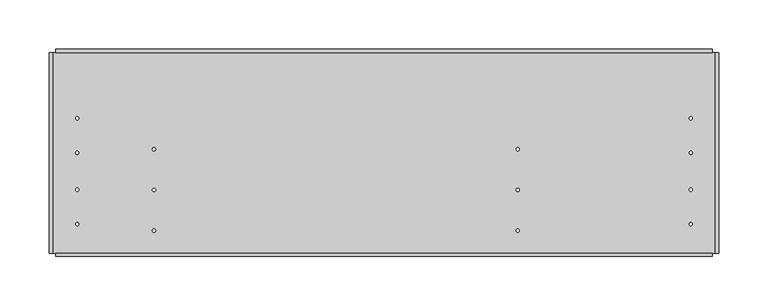
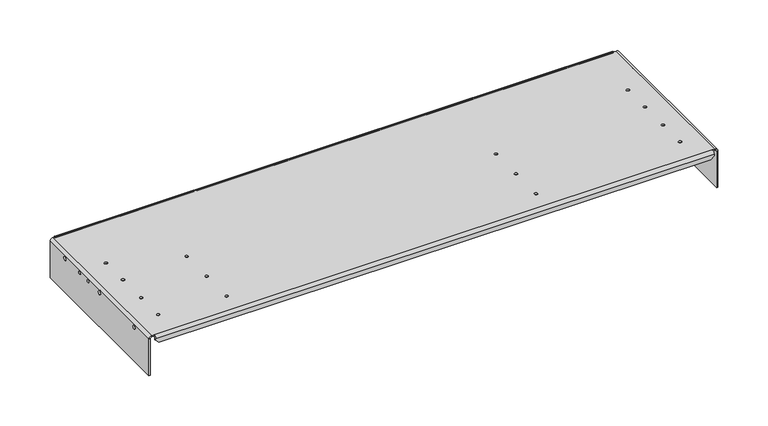
"""IFC4 building model written with IfcOpenShell, lengths in millimetres: proxy geometry."""

from ifc_helpers import new_model, si_unit, frame, origin, place, context, project, spatial, polyline, circle_curve, source, transform, mapped, element, save
from ifc_brep_helpers import plane_surface, cylinder_surface, revolved_surface, advanced_brep


def generic_models_4c38cd29(model_context):
    return source(origin(), model_context, "Body", "AdvancedBrep", [
        advanced_brep(
        [(-668.0263452, -94.3278036, -7.2517), (-666.4134452, -94.3278036, -7.2517), (-666.4134452, -94.3278036, -2.9083), (-668.0263452, -94.3278036, -2.9083), (6.7983148, -94.3278036, -7.2517), (8.4112148, -94.3278036, -7.2517), (8.4112148, -94.3278036, -2.9083), (6.7983148, -94.3278036, -2.9083), (-668.0263452, -23.2078036, -7.2517), (-666.4134452, -23.2078036, -7.2517), (-666.4134452, -23.2078036, -2.9083), (-668.0263452, -23.2078036, -2.9083), (6.7983148, -23.2078036, -7.2517), (8.4112148, -23.2078036, -7.2517), (8.4112148, -23.2078036, -2.9083), (6.7983148, -23.2078036, -2.9083), (-668.0263452, -165.4478036, -7.2517), (-666.4134452, -165.4478036, -7.2517), (-666.4134452, -165.4478036, -2.9083), (-668.0263452, -165.4478036, -2.9083), (6.7983148, -165.4478036, -7.2517), (8.4112148, -165.4478036, -7.2517), (8.4112148, -165.4478036, -2.9083), (6.7983148, -165.4478036, -2.9083), (-17.9590652, -59.340076, 0.0), (-17.9590652, -59.340076, 1.6129), (-21.2102652, -59.340076, 1.6129), (-21.2102652, -59.340076, 0.0), (-17.9590652, -131.571326, 0.0), (-17.9590652, -131.571326, 1.6129), (-21.2102652, -131.571326, 1.6129), (-21.2102652, -131.571326, 0.0), (-638.4048652, -166.496326, 0.0), (-638.4048652, -166.496326, 1.6129), (-641.6560652, -166.496326, 1.6129), (-641.6560652, -166.496326, 0.0), (-638.4048652, -94.265076, 0.0), (-638.4048652, -94.265076, 1.6129), (-641.6560652, -94.265076, 1.6129), (-641.6560652, -94.265076, 0.0), (-638.4048652, -59.340076, 0.0), (-638.4048652, -59.340076, 1.6129), (-641.6560652, -59.340076, 1.6129), (-641.6560652, -59.340076, 0.0), (-638.4048652, -131.571326, 0.0), (-638.4048652, -131.571326, 1.6129), (-641.6560652, -131.571326, 1.6129), (-641.6560652, -131.571326, 0.0), (-17.9590652, -166.496326, 0.0), (-17.9590652, -166.496326, 1.6129), (-21.2102652, -166.496326, 1.6129), (-21.2102652, -166.496326, 0.0), (-17.9590652, -94.265076, 0.0), (-17.9590652, -94.265076, 1.6129), (-21.2102652, -94.265076, 1.6129), (-21.2102652, -94.265076, 0.0), (-666.4134452, -70.7718436, -3.07086), (-668.0263452, -70.7718436, -3.07086), (-668.0263452, -70.7718436, -6.32206), (-666.4134452, -70.7718436, -6.32206), (8.4112148, -70.7718436, -3.07086), (6.7983148, -70.7718436, -3.07086), (6.7983148, -70.7718436, -6.32206), (8.4112148, -70.7718436, -6.32206), (-666.4134452, -52.9918436, -3.07086), (-668.0263452, -52.9918436, -3.07086), (-668.0263452, -52.9918436, -6.32206), (-666.4134452, -52.9918436, -6.32206), (8.4112148, -52.9918436, -3.07086), (6.7983148, -52.9918436, -3.07086), (6.7983148, -52.9918436, -6.32206), (8.4112148, -52.9918436, -6.32206), (-560.7189652, -90.6727436, 0.0), (-560.7189652, -90.6727436, 1.6129), (-563.9701652, -90.6727436, 1.6129), (-563.9701652, -90.6727436, 0.0), (-560.7189652, -173.0195436, 0.0), (-560.7189652, -173.0195436, 1.6129), (-563.9701652, -173.0195436, 1.6129), (-563.9701652, -173.0195436, 0.0), (-193.0031652, -131.8461436, 0.0), (-193.0031652, -131.8461436, 1.6129), (-196.2543652, -131.8461436, 1.6129), (-196.2543652, -131.8461436, 0.0), (-193.0031652, -90.6727436, 0.0), (-193.0031652, -90.6727436, 1.6129), (-196.2543652, -90.6727436, 1.6129), (-196.2543652, -90.6727436, 0.0), (-193.0031652, -173.0195436, 0.0), (-193.0031652, -173.0195436, 1.6129), (-196.2543652, -173.0195436, 1.6129), (-196.2543652, -173.0195436, 0.0), (-560.7189652, -131.8461436, 0.0), (-560.7189652, -131.8461436, 1.6129), (-563.9701652, -131.8461436, 1.6129), (-563.9701652, -131.8461436, 0.0), (2.0104148, -199.1536036, -3.4671), (-1.7995852, -199.1536036, -7.2771), (-1.7995852, -197.5407036, -7.2771), (2.0104148, -197.5407036, -3.4671), (-657.8155452, -199.1536036, -7.2771), (-657.8155452, -197.5407036, -7.2771), (2.0104148, -199.1536036, -1.6129), (-661.6255452, -199.1536036, -1.6129), (-661.6255452, -199.1536036, -3.4671), (-661.6255452, -197.5407036, -3.4671), (-661.6255452, -197.5407036, -1.6129), (2.0104148, -197.5407036, -1.6129), (-661.6255452, -195.9278036, 1.6129), (-661.6255452, -195.9278036, 0.0), (-661.6255452, 10.4979964, -3.4671), (-657.8155452, 10.4979964, -7.2771), (-657.8155452, 8.8850964, -7.2771), (-661.6255452, 8.8850964, -3.4671), (-1.7995852, 8.8850964, -7.2771), (2.0104148, 8.8850964, -3.4671), (2.0104148, 8.8850964, -1.6129), (-661.6255452, 8.8850964, -1.6129), (-1.7995852, 10.4979964, -7.2771), (2.0104148, 10.4979964, -3.4671), (-664.8005452, -195.9278036, 1.6129), (-664.8005452, -195.9278036, 0.0), (-664.8005452, 7.2721964, 0.0), (-664.8005452, 7.2721964, 1.6129), (-661.6255452, 7.2721964, 1.6129), (-661.6255452, 7.2721964, 0.0), (-661.6255452, 10.4979964, -1.6129), (2.0104148, 7.2721964, 0.0), (5.1854148, -195.9278036, 0.0), (5.1854148, -195.9278036, 1.6129), (2.0104148, -195.9278036, 1.6129), (2.0104148, -195.9278036, 0.0), (5.1854148, 7.2721964, 1.6129), (5.1854148, 7.2721964, 0.0), (2.0104148, 7.2721964, 1.6129), (2.0104148, 10.4979964, -1.6129), (-666.4134452, -195.9278036, -1.6129), (-666.4134452, 7.2721964, -1.6129), (-668.0263452, -195.9278036, -1.6129), (-668.0263452, -195.9278036, -47.3202), (-666.4134452, -195.9278036, -47.3202), (-668.0263452, 7.2721964, -1.6129), (-668.0263452, 7.2721964, -47.3202), (-666.4134452, 7.2721964, -47.3202), (6.7983148, 7.2721964, -1.6129), (6.7983148, -195.9278036, -1.6129), (8.4112148, 7.2721964, -1.6129), (8.4112148, 7.2721964, -47.3202), (6.7983148, 7.2721964, -47.3202), (8.4112148, -195.9278036, -1.6129), (8.4112148, -195.9278036, -47.3202), (6.7983148, -195.9278036, -47.3202)],
        [
            (0, 1),
            (1, 2, circle_curve(frame((-666.4134452, -94.3278036, -5.08), z_axis=(1.0, 0.0, 0.0), x_axis=(0.0, 0.0, -1.0)), 2.1717)),
            (2, 3),
            (3, 0, circle_curve(frame((-668.0263452, -94.3278036, -5.08), z_axis=(-1.0, 0.0, 0.0), x_axis=(0.0, 0.0, -1.0)), 2.1717)),
            (4, 5),
            (5, 6, circle_curve(frame((8.4112148, -94.3278036, -5.08), z_axis=(1.0, 0.0, 0.0), x_axis=(0.0, 0.0, -1.0)), 2.1717)),
            (6, 7),
            (7, 4, circle_curve(frame((6.7983148, -94.3278036, -5.08), z_axis=(-1.0, 0.0, 0.0), x_axis=(0.0, 0.0, -1.0)), 2.1717)),
            (8, 9),
            (9, 10, circle_curve(frame((-666.4134452, -23.2078036, -5.08), z_axis=(1.0, 0.0, 0.0), x_axis=(0.0, 0.0, -1.0)), 2.1717)),
            (10, 11),
            (11, 8, circle_curve(frame((-668.0263452, -23.2078036, -5.08), z_axis=(-1.0, 0.0, 0.0), x_axis=(0.0, 0.0, -1.0)), 2.1717)),
            (12, 13),
            (13, 14, circle_curve(frame((8.4112148, -23.2078036, -5.08), z_axis=(1.0, 0.0, 0.0), x_axis=(0.0, 0.0, -1.0)), 2.1717)),
            (14, 15),
            (15, 12, circle_curve(frame((6.7983148, -23.2078036, -5.08), z_axis=(-1.0, 0.0, 0.0), x_axis=(0.0, 0.0, -1.0)), 2.1717)),
            (16, 17),
            (17, 18, circle_curve(frame((-666.4134452, -165.4478036, -5.08), z_axis=(1.0, 0.0, 0.0), x_axis=(0.0, 0.0, -1.0)), 2.1717)),
            (18, 19),
            (19, 16, circle_curve(frame((-668.0263452, -165.4478036, -5.08), z_axis=(-1.0, 0.0, 0.0), x_axis=(0.0, 0.0, -1.0)), 2.1717)),
            (20, 21),
            (21, 22, circle_curve(frame((8.4112148, -165.4478036, -5.08), z_axis=(1.0, 0.0, 0.0), x_axis=(0.0, 0.0, -1.0)), 2.1717)),
            (22, 23),
            (23, 20, circle_curve(frame((6.7983148, -165.4478036, -5.08), z_axis=(-1.0, 0.0, 0.0), x_axis=(0.0, 0.0, -1.0)), 2.1717)),
            (24, 25),
            (25, 26, circle_curve(frame((-19.5846652, -59.340076, 1.6129), z_axis=(0.0, 0.0, 1.0), x_axis=(1.0, 0.0, 0.0)), 1.6256)),
            (26, 27),
            (27, 24, circle_curve(frame((-19.5846652, -59.340076, 0.0), z_axis=(0.0, 0.0, -1.0), x_axis=(1.0, 0.0, 0.0)), 1.6256)),
            (28, 29),
            (29, 30, circle_curve(frame((-19.5846652, -131.571326, 1.6129), z_axis=(0.0, 0.0, 1.0), x_axis=(1.0, 0.0, 0.0)), 1.6256)),
            (30, 31),
            (31, 28, circle_curve(frame((-19.5846652, -131.571326, 0.0), z_axis=(0.0, 0.0, -1.0), x_axis=(1.0, 0.0, 0.0)), 1.6256)),
            (32, 33),
            (33, 34, circle_curve(frame((-640.0304652, -166.496326, 1.6129), z_axis=(0.0, 0.0, 1.0), x_axis=(1.0, 0.0, 0.0)), 1.6256)),
            (34, 35),
            (35, 32, circle_curve(frame((-640.0304652, -166.496326, 0.0), z_axis=(0.0, 0.0, -1.0), x_axis=(1.0, 0.0, 0.0)), 1.6256)),
            (36, 37),
            (37, 38, circle_curve(frame((-640.0304652, -94.265076, 1.6129), z_axis=(0.0, 0.0, 1.0), x_axis=(1.0, 0.0, 0.0)), 1.6256)),
            (38, 39),
            (39, 36, circle_curve(frame((-640.0304652, -94.265076, 0.0), z_axis=(0.0, 0.0, -1.0), x_axis=(1.0, 0.0, 0.0)), 1.6256)),
            (40, 41),
            (41, 42, circle_curve(frame((-640.0304652, -59.340076, 1.6129), z_axis=(0.0, 0.0, 1.0), x_axis=(1.0, 0.0, 0.0)), 1.6256)),
            (42, 43),
            (43, 40, circle_curve(frame((-640.0304652, -59.340076, 0.0), z_axis=(0.0, 0.0, -1.0), x_axis=(1.0, 0.0, 0.0)), 1.6256)),
            (44, 45),
            (45, 46, circle_curve(frame((-640.0304652, -131.571326, 1.6129), z_axis=(0.0, 0.0, 1.0), x_axis=(1.0, 0.0, 0.0)), 1.6256)),
            (46, 47),
            (47, 44, circle_curve(frame((-640.0304652, -131.571326, 0.0), z_axis=(0.0, 0.0, -1.0), x_axis=(1.0, 0.0, 0.0)), 1.6256)),
            (48, 49),
            (49, 50, circle_curve(frame((-19.5846652, -166.496326, 1.6129), z_axis=(0.0, 0.0, 1.0), x_axis=(1.0, 0.0, 0.0)), 1.6256)),
            (50, 51),
            (51, 48, circle_curve(frame((-19.5846652, -166.496326, 0.0), z_axis=(0.0, 0.0, -1.0), x_axis=(1.0, 0.0, 0.0)), 1.6256)),
            (52, 53),
            (53, 54, circle_curve(frame((-19.5846652, -94.265076, 1.6129), z_axis=(0.0, 0.0, 1.0), x_axis=(1.0, 0.0, 0.0)), 1.6256)),
            (54, 55),
            (55, 52, circle_curve(frame((-19.5846652, -94.265076, 0.0), z_axis=(0.0, 0.0, -1.0), x_axis=(1.0, 0.0, 0.0)), 1.6256)),
            (56, 57),
            (57, 58, circle_curve(frame((-668.0263452, -70.7718436, -4.69646), z_axis=(-1.0, 0.0, 0.0), x_axis=(0.0, 0.0, 1.0)), 1.6256)),
            (58, 59),
            (59, 56, circle_curve(frame((-666.4134452, -70.7718436, -4.69646), z_axis=(1.0, 0.0, 0.0), x_axis=(0.0, 0.0, 1.0)), 1.6256)),
            (60, 61),
            (61, 62, circle_curve(frame((6.7983148, -70.7718436, -4.69646), z_axis=(-1.0, 0.0, 0.0), x_axis=(0.0, 0.0, 1.0)), 1.6256)),
            (62, 63),
            (63, 60, circle_curve(frame((8.4112148, -70.7718436, -4.69646), z_axis=(1.0, 0.0, 0.0), x_axis=(0.0, 0.0, 1.0)), 1.6256)),
            (64, 65),
            (65, 66, circle_curve(frame((-668.0263452, -52.9918436, -4.69646), z_axis=(-1.0, 0.0, 0.0), x_axis=(0.0, 0.0, 1.0)), 1.6256)),
            (66, 67),
            (67, 64, circle_curve(frame((-666.4134452, -52.9918436, -4.69646), z_axis=(1.0, 0.0, 0.0), x_axis=(0.0, 0.0, 1.0)), 1.6256)),
            (68, 69),
            (69, 70, circle_curve(frame((6.7983148, -52.9918436, -4.69646), z_axis=(-1.0, 0.0, 0.0), x_axis=(0.0, 0.0, 1.0)), 1.6256)),
            (70, 71),
            (71, 68, circle_curve(frame((8.4112148, -52.9918436, -4.69646), z_axis=(1.0, 0.0, 0.0), x_axis=(0.0, 0.0, 1.0)), 1.6256)),
            (72, 73),
            (73, 74, circle_curve(frame((-562.3445652, -90.6727436, 1.6129), z_axis=(0.0, 0.0, 1.0), x_axis=(1.0, 0.0, 0.0)), 1.6256)),
            (74, 75),
            (75, 72, circle_curve(frame((-562.3445652, -90.6727436, 0.0), z_axis=(0.0, 0.0, -1.0), x_axis=(1.0, 0.0, 0.0)), 1.6256)),
            (76, 77),
            (77, 78, circle_curve(frame((-562.3445652, -173.0195436, 1.6129), z_axis=(0.0, 0.0, 1.0), x_axis=(1.0, 0.0, 0.0)), 1.6256)),
            (78, 79),
            (79, 76, circle_curve(frame((-562.3445652, -173.0195436, 0.0), z_axis=(0.0, 0.0, -1.0), x_axis=(1.0, 0.0, 0.0)), 1.6256)),
            (80, 81),
            (81, 82, circle_curve(frame((-194.6287652, -131.8461436, 1.6129), z_axis=(0.0, 0.0, 1.0), x_axis=(1.0, 0.0, 0.0)), 1.6256)),
            (82, 83),
            (83, 80, circle_curve(frame((-194.6287652, -131.8461436, 0.0), z_axis=(0.0, 0.0, -1.0), x_axis=(1.0, 0.0, 0.0)), 1.6256)),
            (84, 85),
            (85, 86, circle_curve(frame((-194.6287652, -90.6727436, 1.6129), z_axis=(0.0, 0.0, 1.0), x_axis=(1.0, 0.0, 0.0)), 1.6256)),
            (86, 87),
            (87, 84, circle_curve(frame((-194.6287652, -90.6727436, 0.0), z_axis=(0.0, 0.0, -1.0), x_axis=(1.0, 0.0, 0.0)), 1.6256)),
            (88, 89),
            (89, 90, circle_curve(frame((-194.6287652, -173.0195436, 1.6129), z_axis=(0.0, 0.0, 1.0), x_axis=(1.0, 0.0, 0.0)), 1.6256)),
            (90, 91),
            (91, 88, circle_curve(frame((-194.6287652, -173.0195436, 0.0), z_axis=(0.0, 0.0, -1.0), x_axis=(1.0, 0.0, 0.0)), 1.6256)),
            (92, 93),
            (93, 94, circle_curve(frame((-562.3445652, -131.8461436, 1.6129), z_axis=(0.0, 0.0, 1.0), x_axis=(1.0, 0.0, 0.0)), 1.6256)),
            (94, 95),
            (95, 92, circle_curve(frame((-562.3445652, -131.8461436, 0.0), z_axis=(0.0, 0.0, -1.0), x_axis=(1.0, 0.0, 0.0)), 1.6256)),
            (92, 95, circle_curve(frame((-562.3445652, -131.8461436, 0.0), z_axis=(0.0, 0.0, -1.0), x_axis=(1.0, 0.0, 0.0)), 1.6256)),
            (94, 93, circle_curve(frame((-562.3445652, -131.8461436, 1.6129), z_axis=(0.0, 0.0, 1.0), x_axis=(1.0, 0.0, 0.0)), 1.6256)),
            (88, 91, circle_curve(frame((-194.6287652, -173.0195436, 0.0), z_axis=(0.0, 0.0, -1.0), x_axis=(1.0, 0.0, 0.0)), 1.6256)),
            (90, 89, circle_curve(frame((-194.6287652, -173.0195436, 1.6129), z_axis=(0.0, 0.0, 1.0), x_axis=(1.0, 0.0, 0.0)), 1.6256)),
            (84, 87, circle_curve(frame((-194.6287652, -90.6727436, 0.0), z_axis=(0.0, 0.0, -1.0), x_axis=(1.0, 0.0, 0.0)), 1.6256)),
            (86, 85, circle_curve(frame((-194.6287652, -90.6727436, 1.6129), z_axis=(0.0, 0.0, 1.0), x_axis=(1.0, 0.0, 0.0)), 1.6256)),
            (80, 83, circle_curve(frame((-194.6287652, -131.8461436, 0.0), z_axis=(0.0, 0.0, -1.0), x_axis=(1.0, 0.0, 0.0)), 1.6256)),
            (82, 81, circle_curve(frame((-194.6287652, -131.8461436, 1.6129), z_axis=(0.0, 0.0, 1.0), x_axis=(1.0, 0.0, 0.0)), 1.6256)),
            (76, 79, circle_curve(frame((-562.3445652, -173.0195436, 0.0), z_axis=(0.0, 0.0, -1.0), x_axis=(1.0, 0.0, 0.0)), 1.6256)),
            (78, 77, circle_curve(frame((-562.3445652, -173.0195436, 1.6129), z_axis=(0.0, 0.0, 1.0), x_axis=(1.0, 0.0, 0.0)), 1.6256)),
            (72, 75, circle_curve(frame((-562.3445652, -90.6727436, 0.0), z_axis=(0.0, 0.0, -1.0), x_axis=(1.0, 0.0, 0.0)), 1.6256)),
            (74, 73, circle_curve(frame((-562.3445652, -90.6727436, 1.6129), z_axis=(0.0, 0.0, 1.0), x_axis=(1.0, 0.0, 0.0)), 1.6256)),
            (68, 71, circle_curve(frame((8.4112148, -52.9918436, -4.69646), z_axis=(1.0, 0.0, 0.0), x_axis=(0.0, 0.0, 1.0)), 1.6256)),
            (70, 69, circle_curve(frame((6.7983148, -52.9918436, -4.69646), z_axis=(-1.0, 0.0, 0.0), x_axis=(0.0, 0.0, 1.0)), 1.6256)),
            (64, 67, circle_curve(frame((-666.4134452, -52.9918436, -4.69646), z_axis=(1.0, 0.0, 0.0), x_axis=(0.0, 0.0, 1.0)), 1.6256)),
            (66, 65, circle_curve(frame((-668.0263452, -52.9918436, -4.69646), z_axis=(-1.0, 0.0, 0.0), x_axis=(0.0, 0.0, 1.0)), 1.6256)),
            (60, 63, circle_curve(frame((8.4112148, -70.7718436, -4.69646), z_axis=(1.0, 0.0, 0.0), x_axis=(0.0, 0.0, 1.0)), 1.6256)),
            (62, 61, circle_curve(frame((6.7983148, -70.7718436, -4.69646), z_axis=(-1.0, 0.0, 0.0), x_axis=(0.0, 0.0, 1.0)), 1.6256)),
            (56, 59, circle_curve(frame((-666.4134452, -70.7718436, -4.69646), z_axis=(1.0, 0.0, 0.0), x_axis=(0.0, 0.0, 1.0)), 1.6256)),
            (58, 57, circle_curve(frame((-668.0263452, -70.7718436, -4.69646), z_axis=(-1.0, 0.0, 0.0), x_axis=(0.0, 0.0, 1.0)), 1.6256)),
            (96, 97),
            (97, 98),
            (98, 99),
            (99, 96),
            (97, 100),
            (100, 101),
            (101, 98),
            (96, 102),
            (102, 103),
            (103, 104),
            (104, 100),
            (105, 101),
            (104, 105),
            (105, 106),
            (106, 107),
            (107, 99),
            (103, 108, circle_curve(frame((-661.6255452, -195.9278036, -1.6129), z_axis=(-1.0, 0.0, 0.0), x_axis=(0.0, 0.0, 1.0)), 3.2258)),
            (108, 109),
            (109, 106, circle_curve(frame((-661.6255452, -195.9278036, -1.6129), z_axis=(1.0, 0.0, 0.0), x_axis=(0.0, 0.0, 1.0)), 1.6129)),
            (110, 111),
            (111, 112),
            (112, 113),
            (113, 110),
            (112, 114),
            (114, 115),
            (115, 116),
            (116, 117),
            (117, 113),
            (111, 118),
            (118, 114),
            (118, 119),
            (119, 115),
            (52, 55, circle_curve(frame((-19.5846652, -94.265076, 0.0), z_axis=(0.0, 0.0, -1.0), x_axis=(1.0, 0.0, 0.0)), 1.6256)),
            (54, 53, circle_curve(frame((-19.5846652, -94.265076, 1.6129), z_axis=(0.0, 0.0, 1.0), x_axis=(1.0, 0.0, 0.0)), 1.6256)),
            (48, 51, circle_curve(frame((-19.5846652, -166.496326, 0.0), z_axis=(0.0, 0.0, -1.0), x_axis=(1.0, 0.0, 0.0)), 1.6256)),
            (50, 49, circle_curve(frame((-19.5846652, -166.496326, 1.6129), z_axis=(0.0, 0.0, 1.0), x_axis=(1.0, 0.0, 0.0)), 1.6256)),
            (44, 47, circle_curve(frame((-640.0304652, -131.571326, 0.0), z_axis=(0.0, 0.0, -1.0), x_axis=(1.0, 0.0, 0.0)), 1.6256)),
            (46, 45, circle_curve(frame((-640.0304652, -131.571326, 1.6129), z_axis=(0.0, 0.0, 1.0), x_axis=(1.0, 0.0, 0.0)), 1.6256)),
            (40, 43, circle_curve(frame((-640.0304652, -59.340076, 0.0), z_axis=(0.0, 0.0, -1.0), x_axis=(1.0, 0.0, 0.0)), 1.6256)),
            (42, 41, circle_curve(frame((-640.0304652, -59.340076, 1.6129), z_axis=(0.0, 0.0, 1.0), x_axis=(1.0, 0.0, 0.0)), 1.6256)),
            (36, 39, circle_curve(frame((-640.0304652, -94.265076, 0.0), z_axis=(0.0, 0.0, -1.0), x_axis=(1.0, 0.0, 0.0)), 1.6256)),
            (38, 37, circle_curve(frame((-640.0304652, -94.265076, 1.6129), z_axis=(0.0, 0.0, 1.0), x_axis=(1.0, 0.0, 0.0)), 1.6256)),
            (32, 35, circle_curve(frame((-640.0304652, -166.496326, 0.0), z_axis=(0.0, 0.0, -1.0), x_axis=(1.0, 0.0, 0.0)), 1.6256)),
            (34, 33, circle_curve(frame((-640.0304652, -166.496326, 1.6129), z_axis=(0.0, 0.0, 1.0), x_axis=(1.0, 0.0, 0.0)), 1.6256)),
            (28, 31, circle_curve(frame((-19.5846652, -131.571326, 0.0), z_axis=(0.0, 0.0, -1.0), x_axis=(1.0, 0.0, 0.0)), 1.6256)),
            (30, 29, circle_curve(frame((-19.5846652, -131.571326, 1.6129), z_axis=(0.0, 0.0, 1.0), x_axis=(1.0, 0.0, 0.0)), 1.6256)),
            (24, 27, circle_curve(frame((-19.5846652, -59.340076, 0.0), z_axis=(0.0, 0.0, -1.0), x_axis=(1.0, 0.0, 0.0)), 1.6256)),
            (26, 25, circle_curve(frame((-19.5846652, -59.340076, 1.6129), z_axis=(0.0, 0.0, 1.0), x_axis=(1.0, 0.0, 0.0)), 1.6256)),
            (120, 121),
            (121, 109),
            (108, 120),
            (122, 123),
            (123, 124),
            (124, 125),
            (125, 122),
            (117, 125, circle_curve(frame((-661.6255452, 7.2721964, -1.6129), z_axis=(1.0, 0.0, 0.0), x_axis=(0.0, 0.0, 1.0)), 1.6129)),
            (124, 126, circle_curve(frame((-661.6255452, 7.2721964, -1.6129), z_axis=(-1.0, 0.0, 0.0), x_axis=(0.0, 0.0, 1.0)), 3.2258)),
            (126, 110),
            (116, 127, circle_curve(frame((2.0104148, 7.2721964, -1.6129), z_axis=(1.0, 0.0, 0.0), x_axis=(0.0, 0.0, 1.0)), 1.6129)),
            (127, 125),
            (128, 129),
            (129, 130),
            (130, 131),
            (131, 128),
            (107, 131, circle_curve(frame((2.0104148, -195.9278036, -1.6129), z_axis=(-1.0, 0.0, 0.0), x_axis=(0.0, 0.0, 1.0)), 1.6129)),
            (130, 102, circle_curve(frame((2.0104148, -195.9278036, -1.6129), z_axis=(1.0, 0.0, 0.0), x_axis=(0.0, 0.0, 1.0)), 3.2258)),
            (132, 133),
            (133, 127),
            (127, 134),
            (134, 132),
            (119, 135),
            (135, 134, circle_curve(frame((2.0104148, 7.2721964, -1.6129), z_axis=(1.0, 0.0, 0.0), x_axis=(0.0, 0.0, 1.0)), 3.2258)),
            (109, 131),
            (126, 135),
            (20, 23, circle_curve(frame((6.7983148, -165.4478036, -5.08), z_axis=(-1.0, 0.0, 0.0), x_axis=(0.0, 0.0, -1.0)), 2.1717)),
            (22, 21, circle_curve(frame((8.4112148, -165.4478036, -5.08), z_axis=(1.0, 0.0, 0.0), x_axis=(0.0, 0.0, -1.0)), 2.1717)),
            (16, 19, circle_curve(frame((-668.0263452, -165.4478036, -5.08), z_axis=(-1.0, 0.0, 0.0), x_axis=(0.0, 0.0, -1.0)), 2.1717)),
            (18, 17, circle_curve(frame((-666.4134452, -165.4478036, -5.08), z_axis=(1.0, 0.0, 0.0), x_axis=(0.0, 0.0, -1.0)), 2.1717)),
            (12, 15, circle_curve(frame((6.7983148, -23.2078036, -5.08), z_axis=(-1.0, 0.0, 0.0), x_axis=(0.0, 0.0, -1.0)), 2.1717)),
            (14, 13, circle_curve(frame((8.4112148, -23.2078036, -5.08), z_axis=(1.0, 0.0, 0.0), x_axis=(0.0, 0.0, -1.0)), 2.1717)),
            (8, 11, circle_curve(frame((-668.0263452, -23.2078036, -5.08), z_axis=(-1.0, 0.0, 0.0), x_axis=(0.0, 0.0, -1.0)), 2.1717)),
            (10, 9, circle_curve(frame((-666.4134452, -23.2078036, -5.08), z_axis=(1.0, 0.0, 0.0), x_axis=(0.0, 0.0, -1.0)), 2.1717)),
            (4, 7, circle_curve(frame((6.7983148, -94.3278036, -5.08), z_axis=(-1.0, 0.0, 0.0), x_axis=(0.0, 0.0, -1.0)), 2.1717)),
            (6, 5, circle_curve(frame((8.4112148, -94.3278036, -5.08), z_axis=(1.0, 0.0, 0.0), x_axis=(0.0, 0.0, -1.0)), 2.1717)),
            (0, 3, circle_curve(frame((-668.0263452, -94.3278036, -5.08), z_axis=(-1.0, 0.0, 0.0), x_axis=(0.0, 0.0, -1.0)), 2.1717)),
            (2, 1, circle_curve(frame((-666.4134452, -94.3278036, -5.08), z_axis=(1.0, 0.0, 0.0), x_axis=(0.0, 0.0, -1.0)), 2.1717)),
            (124, 134),
            (130, 108),
            (136, 137),
            (137, 122, circle_curve(frame((-664.8005452, 7.2721964, -1.6129), z_axis=(0.0, 1.0, 0.0), x_axis=(0.0, 0.0, 1.0)), 1.6129)),
            (122, 121),
            (121, 136, circle_curve(frame((-664.8005452, -195.9278036, -1.6129), z_axis=(0.0, -1.0, 0.0), x_axis=(0.0, 0.0, 1.0)), 1.6129)),
            (136, 138),
            (138, 139),
            (139, 140),
            (140, 136),
            (138, 141),
            (141, 142),
            (142, 139),
            (137, 141),
            (141, 123, circle_curve(frame((-664.8005452, 7.2721964, -1.6129), z_axis=(0.0, 1.0, 0.0), x_axis=(0.0, 0.0, 1.0)), 3.2258)),
            (120, 138, circle_curve(frame((-664.8005452, -195.9278036, -1.6129), z_axis=(0.0, -1.0, 0.0), x_axis=(0.0, 0.0, 1.0)), 3.2258)),
            (137, 143),
            (143, 142),
            (143, 140),
            (120, 123),
            (144, 145),
            (145, 128, circle_curve(frame((5.1854148, -195.9278036, -1.6129), z_axis=(0.0, -1.0, 0.0), x_axis=(0.0, 0.0, 1.0)), 1.6129)),
            (128, 133),
            (133, 144, circle_curve(frame((5.1854148, 7.2721964, -1.6129), z_axis=(0.0, 1.0, 0.0), x_axis=(0.0, 0.0, 1.0)), 1.6129)),
            (144, 146),
            (146, 147),
            (147, 148),
            (148, 144),
            (146, 149),
            (149, 150),
            (150, 147),
            (145, 149),
            (149, 129, circle_curve(frame((5.1854148, -195.9278036, -1.6129), z_axis=(0.0, -1.0, 0.0), x_axis=(0.0, 0.0, 1.0)), 3.2258)),
            (132, 146, circle_curve(frame((5.1854148, 7.2721964, -1.6129), z_axis=(0.0, 1.0, 0.0), x_axis=(0.0, 0.0, 1.0)), 3.2258)),
            (145, 151),
            (151, 150),
            (151, 148),
            (132, 129),
        ],
        [
            revolved_surface(polyline([(-666.4134452, -94.3278036, -7.2517), (-668.0263452, -94.3278036, -7.2517)]), (-701.3506955, -94.3278036, -5.08), (1.0, 0.0, 0.0)),
            revolved_surface(polyline([(8.411214800000039, -94.3278036, -7.2517), (6.798314799999957, -94.3278036, -7.2517)]), (-701.3506955, -94.3278036, -5.08), (1.0, 0.0, 0.0)),
            revolved_surface(polyline([(-666.4134452, -23.2078036, -7.2517), (-668.0263452, -23.2078036, -7.2517)]), (-701.3506955, -23.2078036, -5.08), (1.0, 0.0, 0.0)),
            revolved_surface(polyline([(8.411214800000039, -23.2078036, -7.2517), (6.798314799999957, -23.2078036, -7.2517)]), (-701.3506955, -23.2078036, -5.08), (1.0, 0.0, 0.0)),
            revolved_surface(polyline([(-666.4134452, -165.4478036, -7.2517), (-668.0263452, -165.4478036, -7.2517)]), (-701.3506955, -165.4478036, -5.08), (1.0, 0.0, 0.0)),
            revolved_surface(polyline([(8.411214800000039, -165.4478036, -7.2517), (6.798314799999957, -165.4478036, -7.2517)]), (-701.3506955, -165.4478036, -5.08), (1.0, 0.0, 0.0)),
            revolved_surface(polyline([(-17.9590652, -59.340076, 1.6129), (-17.9590652, -59.340076, 0.0)]), (-19.5846652, -59.340076, 0.80645), (0.0, 0.0, 1.0)),
            revolved_surface(polyline([(-17.9590652, -131.571326, 1.6129), (-17.9590652, -131.571326, 0.0)]), (-19.5846652, -131.571326, 0.80645), (0.0, 0.0, 1.0)),
            revolved_surface(polyline([(-638.4048652, -166.496326, 1.6129), (-638.4048652, -166.496326, 0.0)]), (-640.0304652, -166.496326, 0.80645), (0.0, 0.0, 1.0)),
            revolved_surface(polyline([(-638.4048652, -94.265076, 1.6129), (-638.4048652, -94.265076, 0.0)]), (-640.0304652, -94.265076, 0.80645), (0.0, 0.0, 1.0)),
            revolved_surface(polyline([(-638.4048652, -59.340076, 1.6129), (-638.4048652, -59.340076, 0.0)]), (-640.0304652, -59.340076, 0.80645), (0.0, 0.0, 1.0)),
            revolved_surface(polyline([(-638.4048652, -131.571326, 1.6129), (-638.4048652, -131.571326, 0.0)]), (-640.0304652, -131.571326, 0.80645), (0.0, 0.0, 1.0)),
            revolved_surface(polyline([(-17.9590652, -166.496326, 1.6129), (-17.9590652, -166.496326, 0.0)]), (-19.5846652, -166.496326, 0.80645), (0.0, 0.0, 1.0)),
            revolved_surface(polyline([(-17.9590652, -94.265076, 1.6129), (-17.9590652, -94.265076, 0.0)]), (-19.5846652, -94.265076, 0.80645), (0.0, 0.0, 1.0)),
            revolved_surface(polyline([(-668.0263452, -70.7718436, -3.07086), (-666.4134452, -70.7718436, -3.07086)]), (41.8440756, -70.7718436, -4.69646), (-1.0, 0.0, 0.0)),
            revolved_surface(polyline([(6.7983148, -70.7718436, -3.07086), (8.411214799999996, -70.7718436, -3.07086)]), (41.8440756, -70.7718436, -4.69646), (-1.0, 0.0, 0.0)),
            revolved_surface(polyline([(-668.0263452, -52.9918436, -3.07086), (-666.4134452, -52.9918436, -3.07086)]), (41.8440756, -52.9918436, -4.69646), (-1.0, 0.0, 0.0)),
            revolved_surface(polyline([(6.7983148, -52.9918436, -3.07086), (8.411214799999996, -52.9918436, -3.07086)]), (41.8440756, -52.9918436, -4.69646), (-1.0, 0.0, 0.0)),
            revolved_surface(polyline([(-560.7189652000001, -90.6727436, 1.6129), (-560.7189652000001, -90.6727436, 0.0)]), (-562.3445652, -90.6727436, 0.80645), (0.0, 0.0, 1.0)),
            revolved_surface(polyline([(-560.7189652000001, -173.0195436, 1.6129), (-560.7189652000001, -173.0195436, 0.0)]), (-562.3445652, -173.0195436, 0.80645), (0.0, 0.0, 1.0)),
            revolved_surface(polyline([(-193.0031652, -131.8461436, 1.6129), (-193.0031652, -131.8461436, 0.0)]), (-194.6287652, -131.8461436, 0.80645), (0.0, 0.0, 1.0)),
            revolved_surface(polyline([(-193.0031652, -90.6727436, 1.6129), (-193.0031652, -90.6727436, 0.0)]), (-194.6287652, -90.6727436, 0.80645), (0.0, 0.0, 1.0)),
            revolved_surface(polyline([(-193.0031652, -173.0195436, 1.6129), (-193.0031652, -173.0195436, 0.0)]), (-194.6287652, -173.0195436, 0.80645), (0.0, 0.0, 1.0)),
            revolved_surface(polyline([(-560.7189652000001, -131.8461436, 1.6129), (-560.7189652000001, -131.8461436, 0.0)]), (-562.3445652, -131.8461436, 0.80645), (0.0, 0.0, 1.0)),
            plane_surface(frame((0.1054148, -197.9439286, -5.3721), z_axis=(0.7071067811865478, 0.0, -0.7071067811865474), x_axis=(-0.7071067811865474, 0.0, -0.7071067811865478))),
            plane_surface(frame((5.1854148, -197.5407036, -7.2771), z_axis=(0.0, 0.0, -1.0), x_axis=(0.0, 1.0, 0.0))),
            plane_surface(frame((-329.8075652, -199.1536036, -2.6208531), z_axis=(0.0, -1.0, 0.0), x_axis=(1.0, 0.0, 0.0))),
            plane_surface(frame((-659.7205452, -197.9439286, -5.3721), z_axis=(-0.7071067811865474, 0.0, -0.7071067811865477), x_axis=(-0.7071067811865477, 0.0, 0.7071067811865474))),
            plane_surface(frame((-329.8075652, -197.5407036, -2.6208531), z_axis=(0.0, 1.0, 0.0), x_axis=(1.0, 0.0, 0.0))),
            plane_surface(frame((-661.6255452, -198.3471536, -4.445), z_axis=(-1.0, 0.0, 0.0), x_axis=(0.0, 0.0, -1.0))),
            plane_surface(frame((-659.7205452, 9.2883214, -5.3721), z_axis=(-0.7071067811865474, 0.0, -0.7071067811865478), x_axis=(-0.7071067811865478, 0.0, 0.7071067811865474))),
            plane_surface(frame((-329.8075652, 8.8850964, -2.6208531), z_axis=(0.0, -1.0, 0.0), x_axis=(1.0, 0.0, 0.0))),
            plane_surface(frame((-664.8005452, 8.8850964, -7.2771), z_axis=(0.0, 0.0, -1.0), x_axis=(0.0, 1.0, 0.0))),
            plane_surface(frame((0.1054148, 9.2883214, -5.3721), z_axis=(0.707106781186547, 0.0, -0.7071067811865481), x_axis=(-0.7071067811865481, 0.0, -0.707106781186547))),
            plane_surface(frame((-664.8005452, -195.9278036, 0.0), z_axis=(0.0, -1.0, 0.0), x_axis=(0.0, 0.0, 1.0))),
            plane_surface(frame((-664.8005452, 7.2721964, 1.6129), z_axis=(0.0, 1.0, 0.0), x_axis=(0.0, 0.0, -1.0))),
            plane_surface(frame((-661.6255452, 9.6915464, -4.445), z_axis=(-1.0, 0.0, 0.0), x_axis=(0.0, 0.0, 1.0))),
            revolved_surface(polyline([(-661.6255452, 7.2721964, 0.0), (2.010414799999978, 7.2721964, 0.0)]), (-329.8075652, 7.2721964, -1.6129), (-1.0, 0.0, 0.0)),
            plane_surface(frame((5.1854148, -195.9278036, 1.6129), z_axis=(0.0, -1.0, 0.0), x_axis=(0.0, 0.0, -1.0))),
            plane_surface(frame((2.0104148, -198.3471536, -4.445), z_axis=(1.0, 0.0, 0.0), x_axis=(0.0, 0.0, -1.0))),
            plane_surface(frame((5.1854148, 7.2721964, 0.0), z_axis=(0.0, 1.0, 0.0), x_axis=(0.0, 0.0, 1.0))),
            plane_surface(frame((2.0104148, 9.6915464, -4.445), z_axis=(1.0, 0.0, 0.0), x_axis=(0.0, 0.0, 1.0))),
            revolved_surface(polyline([(2.010414799999978, -195.9278036, 0.0), (-661.6255452, -195.9278036, 0.0)]), (-329.8075652, -195.9278036, -1.6129), (1.0, 0.0, 0.0)),
            plane_surface(frame((-329.8075652, 10.4979964, -2.6208531), z_axis=(0.0, 1.0, 0.0), x_axis=(1.0, 0.0, 0.0))),
            cylinder_surface(frame((-329.8075652, 7.2721964, -1.6129), z_axis=(-1.0, 0.0, 0.0), x_axis=(0.0, 0.0, 1.0)), 3.2258),
            cylinder_surface(frame((-329.8075652, -195.9278036, -1.6129), z_axis=(1.0, 0.0, 0.0), x_axis=(0.0, 0.0, 1.0)), 3.2258),
            revolved_surface(polyline([(-664.8005452, -195.9278036, 0.0), (-664.8005452, 7.272196399999999, 0.0)]), (-664.8005452, -94.3278036, -1.6129), (0.0, -1.0, 0.0)),
            plane_surface(frame((-668.0263452, -195.9278036, -1.6129), z_axis=(0.0, -1.0, 0.0), x_axis=(1.0, 0.0, 0.0))),
            plane_surface(frame((-668.0263452, -94.3278036, -21.8423031), z_axis=(-1.0, 0.0, 0.0), x_axis=(0.0, 0.0, 1.0))),
            plane_surface(frame((-668.0263452, 7.2721964, -1.6129), z_axis=(0.0, 1.0, 0.0), x_axis=(0.0, 0.0, 1.0))),
            plane_surface(frame((-666.4134452, -195.9278036, -1.6129), z_axis=(0.0, -1.0, 0.0), x_axis=(0.0, 0.0, -1.0))),
            plane_surface(frame((-668.0263452, 7.2721964, -1.6129), z_axis=(0.0, 1.0, 0.0), x_axis=(-1.0, 0.0, 0.0))),
            plane_surface(frame((-668.0263452, 7.2721964, -47.3202), z_axis=(0.0, 0.0, -1.0), x_axis=(-1.0, 0.0, 0.0))),
            plane_surface(frame((-666.4134452, -94.3278036, -21.8423031), z_axis=(1.0, 0.0, 0.0), x_axis=(0.0, 0.0, 1.0))),
            cylinder_surface(frame((-664.8005452, -94.3278036, -1.6129), z_axis=(0.0, -1.0, 0.0), x_axis=(0.0, 0.0, 1.0)), 3.2258),
            revolved_surface(polyline([(5.1854148, 7.272196399999999, 0.0), (5.1854148, -195.9278036, 0.0)]), (5.1854148, -94.3278036, -1.6129), (0.0, 1.0, 0.0)),
            plane_surface(frame((8.4112148, 7.2721964, -1.6129), z_axis=(0.0, 1.0, 0.0), x_axis=(1.0, 0.0, 0.0))),
            plane_surface(frame((8.4112148, -94.3278036, -21.8423031), z_axis=(1.0, 0.0, 0.0), x_axis=(0.0, 0.0, -1.0))),
            plane_surface(frame((8.4112148, -195.9278036, -1.6129), z_axis=(0.0, -1.0, 0.0), x_axis=(0.0, 0.0, -1.0))),
            plane_surface(frame((6.7983148, 7.2721964, -1.6129), z_axis=(0.0, 1.0, 0.0), x_axis=(0.0, 0.0, 1.0))),
            plane_surface(frame((8.4112148, -195.9278036, -1.6129), z_axis=(0.0, -1.0, 0.0), x_axis=(-1.0, 0.0, 0.0))),
            plane_surface(frame((8.4112148, -195.9278036, -47.3202), z_axis=(0.0, 0.0, -1.0), x_axis=(-1.0, 0.0, 0.0))),
            plane_surface(frame((6.7983148, -94.3278036, -21.8423031), z_axis=(-1.0, 0.0, 0.0), x_axis=(0.0, 0.0, -1.0))),
            cylinder_surface(frame((5.1854148, -94.3278036, -1.6129), z_axis=(0.0, 1.0, 0.0), x_axis=(0.0, 0.0, 1.0)), 3.2258),
            plane_surface(frame((-329.8075652, -94.3278036, 0.0), z_axis=(0.0, 0.0, -1.0), x_axis=(1.0, 0.0, 0.0))),
            plane_surface(frame((-329.8075652, -94.3278036, 1.6129), z_axis=(0.0, 0.0, 1.0), x_axis=(1.0, 0.0, 0.0))),
        ],
        [
            (0, [[1, 2, 3, 4]]),
            (1, [[5, 6, 7, 8]]),
            (2, [[9, 10, 11, 12]]),
            (3, [[13, 14, 15, 16]]),
            (4, [[17, 18, 19, 20]]),
            (5, [[21, 22, 23, 24]]),
            (6, [[25, 26, 27, 28]]),
            (7, [[29, 30, 31, 32]]),
            (8, [[33, 34, 35, 36]]),
            (9, [[37, 38, 39, 40]]),
            (10, [[41, 42, 43, 44]]),
            (11, [[45, 46, 47, 48]]),
            (12, [[49, 50, 51, 52]]),
            (13, [[53, 54, 55, 56]]),
            (14, [[57, 58, 59, 60]]),
            (15, [[61, 62, 63, 64]]),
            (16, [[65, 66, 67, 68]]),
            (17, [[69, 70, 71, 72]]),
            (18, [[73, 74, 75, 76]]),
            (19, [[77, 78, 79, 80]]),
            (20, [[81, 82, 83, 84]]),
            (21, [[85, 86, 87, 88]]),
            (22, [[89, 90, 91, 92]]),
            (23, [[93, 94, 95, 96]]),
            (23, [[-93, 97, -95, 98]]),
            (22, [[-89, 99, -91, 100]]),
            (21, [[-85, 101, -87, 102]]),
            (20, [[-81, 103, -83, 104]]),
            (19, [[-77, 105, -79, 106]]),
            (18, [[-73, 107, -75, 108]]),
            (17, [[-69, 109, -71, 110]]),
            (16, [[-65, 111, -67, 112]]),
            (15, [[-61, 113, -63, 114]]),
            (14, [[-57, 115, -59, 116]]),
            (24, [[117, 118, 119, 120]]),
            (25, [[-118, 121, 122, 123]]),
            (26, [[-117, 124, 125, 126, 127, -121]]),
            (27, [[128, -122, -127, 129]]),
            (28, [[-119, -123, -128, 130, 131, 132]]),
            (29, [[-129, -126, 133, 134, 135, -130]]),
            (30, [[136, 137, 138, 139]]),
            (31, [[-138, 140, 141, 142, 143, 144]]),
            (32, [[-137, 145, 146, -140]]),
            (33, [[-141, -146, 147, 148]]),
            (13, [[-53, 149, -55, 150]]),
            (12, [[-49, 151, -51, 152]]),
            (11, [[-45, 153, -47, 154]]),
            (10, [[-41, 155, -43, 156]]),
            (9, [[-37, 157, -39, 158]]),
            (8, [[-33, 159, -35, 160]]),
            (7, [[-29, 161, -31, 162]]),
            (6, [[-25, 163, -27, 164]]),
            (34, [[165, 166, -134, 167]]),
            (35, [[168, 169, 170, 171]]),
            (36, [[-139, -144, 172, -170, 173, 174]]),
            (37, [[-172, -143, 175, 176]]),
            (38, [[177, 178, 179, 180]]),
            (39, [[-120, -132, 181, -179, 182, -124]]),
            (40, [[183, 184, 185, 186]]),
            (41, [[-148, 187, 188, -185, -175, -142]]),
            (42, [[-135, 189, -181, -131]]),
            (43, [[-136, -174, 190, -187, -147, -145]]),
            (5, [[-21, 191, -23, 192]]),
            (4, [[-17, 193, -19, 194]]),
            (3, [[-13, 195, -15, 196]]),
            (2, [[-9, 197, -11, 198]]),
            (1, [[-5, 199, -7, 200]]),
            (0, [[-1, 201, -3, 202]]),
            (44, [[-173, 203, -188, -190]]),
            (45, [[-133, -125, -182, 204]]),
            (46, [[205, 206, 207, 208]]),
            (47, [[209, 210, 211, 212]]),
            (48, [[213, 214, 215, -210], [-112, -66], [-116, -58], [-193, -20], [-197, -12], [-201, -4]]),
            (49, [[216, 217, -168, -206]]),
            (50, [[-209, -208, -165, 218]]),
            (51, [[-216, 219, 220, -214]]),
            (52, [[221, -211, -215, -220]]),
            (53, [[-205, -212, -221, -219], [-2, -202], [-10, -198], [-18, -194], [-111, -68], [-115, -60]]),
            (54, [[-213, -218, 222, -217]]),
            (55, [[223, 224, 225, 226]]),
            (56, [[227, 228, 229, 230]]),
            (57, [[231, 232, 233, -228], [-109, -72], [-113, -64], [-192, -22], [-196, -14], [-200, -6]]),
            (58, [[234, 235, -177, -224]]),
            (59, [[-227, -226, -183, 236]]),
            (60, [[-234, 237, 238, -232]]),
            (61, [[239, -229, -233, -238]]),
            (62, [[-223, -230, -239, -237], [-62, -114], [-70, -110], [-191, -24], [-195, -16], [-199, -8]]),
            (63, [[-231, -236, 240, -235]]),
            (64, [[-207, -171, -176, -184, -225, -180, -189, -166], [-28, -163], [-32, -161], [-36, -159], [-40, -157], [-44, -155], [-48, -153], [-52, -151], [-56, -149], [-76, -107], [-80, -105], [-84, -103], [-88, -101], [-92, -99], [-96, -97]]),
            (65, [[-222, -167, -204, -178, -240, -186, -203, -169], [-98, -94], [-100, -90], [-102, -86], [-104, -82], [-106, -78], [-108, -74], [-150, -54], [-152, -50], [-154, -46], [-156, -42], [-158, -38], [-160, -34], [-162, -30], [-164, -26]]),
        ],
    ),
    ])


if __name__ == "__main__":
    model = new_model("IFC4")
    model_context = context("Model", 3, world=origin())
    ifc_project = project(units=[si_unit("LENGTHUNIT", "METRE", prefix="MILLI")], contexts=[model_context])
    site = spatial("IfcSite", under=ifc_project)
    building = spatial("IfcBuilding", under=site)
    placement = place(None, origin())
    generic_models_shape = generic_models_4c38cd29(model_context)
    element("IfcBuildingElementProxy", 1, Name="Generic Models", at=placement, inside=building, context=model_context, shape_type="MappedRepresentation", body=[
        mapped(generic_models_shape, transform((0.0, 0.0, 0.0), x_axis=(1.0, 0.0, 0.0), y_axis=(0.0, 1.0, 0.0), z_axis=(0.0, 0.0, 1.0))),
    ])
    save(model, "model.ifc")
